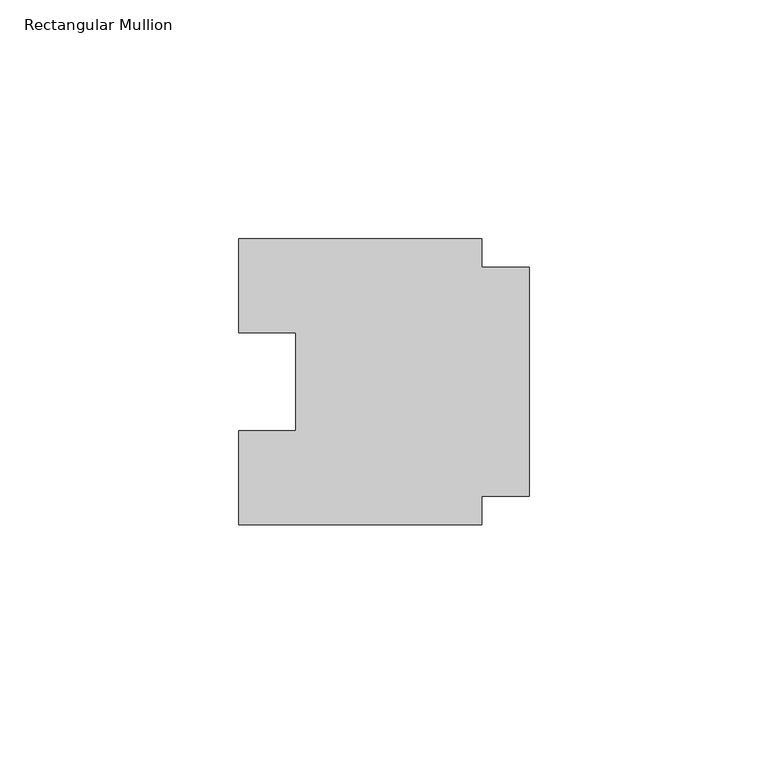
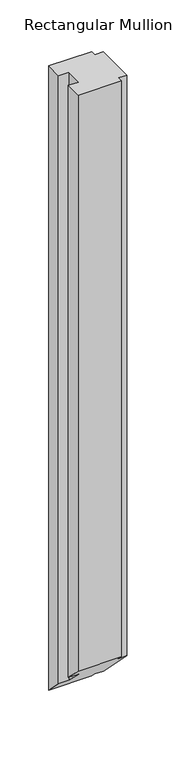
"""IFC4 building model written with IfcOpenShell, lengths in millimetres: member geometry, Rectangular Mullion."""

from ifc_helpers import new_model, si_unit, origin, place, context, project, spatial, faceted_brep, source, transform, mapped, element, save


def rectangular_mullion_fe1b0b1b(model_context):
    return source(origin(), model_context, "Body", "Brep", [
        faceted_brep([(-10.0, 24.0, 0.0), (-10.0, 30.0, 0.0), (-61.0, 30.0, 0.0), (-61.0, 10.25, 0.0), (-49.0, 10.25, 0.0), (-49.0, -10.25, 0.0), (-61.0, -10.25, 0.0), (-61.0, -30.0, 0.0), (-10.0, -30.0, 0.0), (-10.0, -24.0, 0.0), (0.0, -24.0, 0.0), (0.0, 24.0, 0.0), (-10.0, 24.0, -774.0), (-10.0, 30.0, -780.0), (-61.0, 30.0, -780.0), (-61.0, 10.25, -760.25), (-49.0, 10.25, -760.25), (-49.0, -10.25, -739.75), (-61.0, -10.25, -739.75), (-61.0, -30.0, -720.0), (-10.0, -30.0, -720.0), (-10.0, -24.0, -726.0), (0.0, -24.0, -726.0), (0.0, 24.0, -774.0)], [[[0, 1, 2, 3, 4, 5, 6, 7, 8, 9, 10, 11]], [[1, 0, 12, 13]], [[2, 1, 13, 14]], [[3, 2, 14, 15]], [[4, 3, 15, 16]], [[5, 4, 16, 17]], [[6, 5, 17, 18]], [[7, 6, 18, 19]], [[8, 7, 19, 20]], [[9, 8, 20, 21]], [[10, 9, 21, 22]], [[11, 10, 22, 23]], [[0, 11, 23, 12]], [[12, 23, 22, 21, 20, 19, 18, 17, 16, 15, 14, 13]]]),
    ])


if __name__ == "__main__":
    model = new_model("IFC4")
    model_context = context("Model", 3, world=origin())
    ifc_project = project(units=[si_unit("LENGTHUNIT", "METRE", prefix="MILLI")], contexts=[model_context])
    site = spatial("IfcSite", under=ifc_project)
    building = spatial("IfcBuilding", under=site)
    placement = place(None, origin())
    rectangular_mullion_shape = rectangular_mullion_fe1b0b1b(model_context)
    element("IfcMember", 1, ObjectType="Rectangular Mullion", at=placement, inside=building, context=model_context, shape_type="MappedRepresentation", body=[
        mapped(rectangular_mullion_shape, transform((0.0, 0.0, 0.0), x_axis=(1.0, 0.0, 0.0), y_axis=(0.0, 1.0, 0.0), z_axis=(0.0, 0.0, 1.0))),
    ])
    save(model, "model.ifc")
